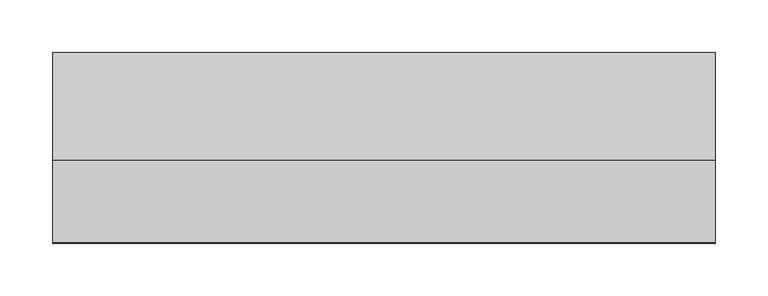
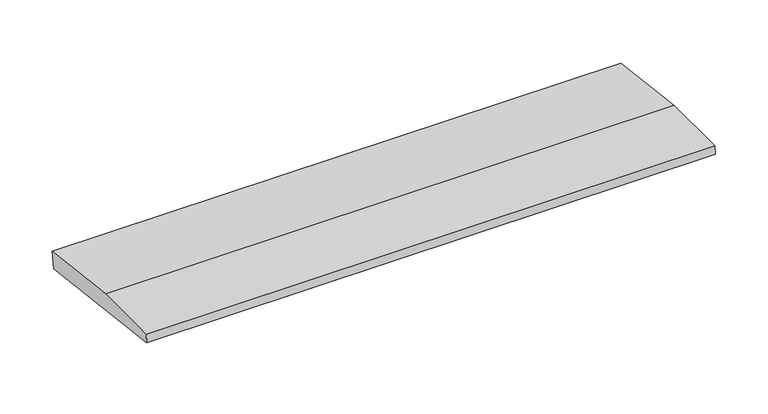
"""IFC4 building model written with IfcOpenShell, lengths in millimetres: beam geometry."""

from ifc_helpers import new_model, si_unit, frame, origin, place, context, project, spatial, polyline, outline, extrude, source, transform, mapped, element, save


def beam_29e33842(model_context):
    return source(origin(), model_context, "Body", "SweptSolid", [
        extrude(outline(polyline([(0.0, -9.143159), (1.1226388, 0.0), (79.0749747, 0.0), (180.9387048, -12.5072934), (178.6231873, -31.3656703), (0.0, -9.143159)])), frame((-313.9035337, 0.0, 0.0), z_axis=(1.0, 0.0, 0.0), x_axis=(0.0, 1.0, 0.0)), (0.0, 0.0, 1.0), 627.8070675),
    ])


if __name__ == "__main__":
    model = new_model("IFC4")
    model_context = context("Model", 3, world=origin())
    ifc_project = project(units=[si_unit("LENGTHUNIT", "METRE", prefix="MILLI")], contexts=[model_context])
    site = spatial("IfcSite", under=ifc_project)
    building = spatial("IfcBuilding", under=site)
    placement = place(None, origin())
    beam_shape = beam_29e33842(model_context)
    element("IfcBeam", 1, at=placement, inside=building, context=model_context, shape_type="MappedRepresentation", body=[
        mapped(beam_shape, transform((0.0, 0.0, 0.0), x_axis=(1.0, 0.0, 0.0), y_axis=(0.0, 1.0, 0.0), z_axis=(0.0, 0.0, 1.0))),
    ])
    save(model, "model.ifc")
